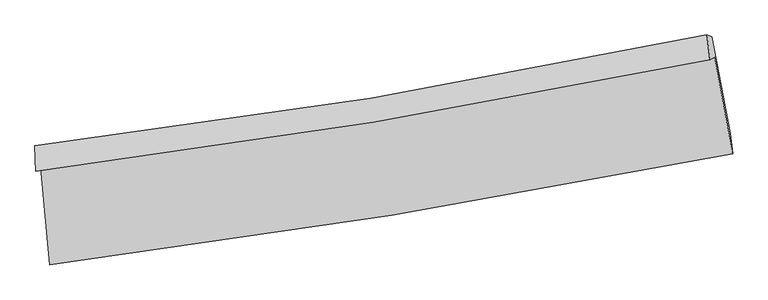
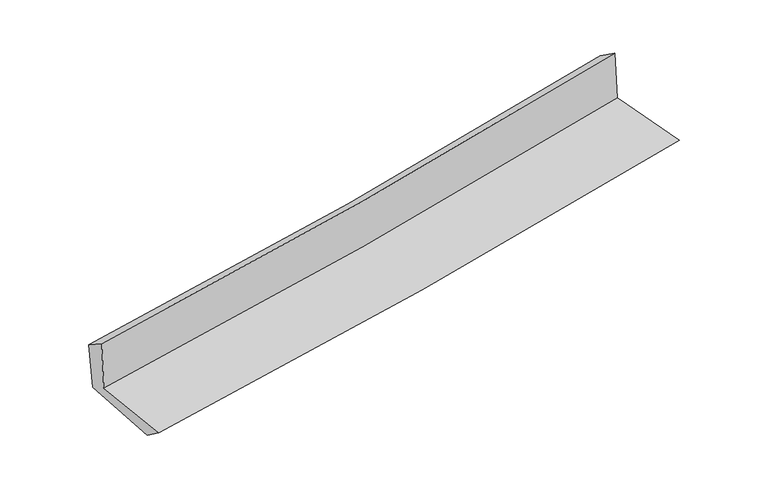
"""IFC4 building model written with IfcOpenShell, lengths in millimetres: proxy geometry."""

from ifc_helpers import new_model, si_unit, frame, origin, place, context, project, spatial, source, transform, mapped, element, save
from ifc_brep_helpers import plane_surface, spline_curve, spline_surface, advanced_brep


def generic_models_c8cb5b35(model_context):
    return source(origin(), model_context, "Body", "AdvancedBrep", [
        advanced_brep(
        [(-2348.9594275, -1860.0817355, 1665.5992539), (-2285.6835273, -2533.6493934, 1664.3684126), (2428.6588558, -1767.5065764, 2089.1346731), (2305.4562463, -1102.8273012, 2095.8203198), (-2381.2842647, -1887.5171379, 2079.4121435), (2272.4174046, -1118.4280898, 2504.938323), (-2388.0924197, -1714.203822, 1967.3981472), (2251.4650379, -948.6528709, 2386.8546667), (-2355.6937774, -1718.4342488, 1587.9260329), (2286.3896669, -962.1177249, 2017.3314051), (-2290.4155761, -2379.6259378, 1549.1888325), (2412.1925305, -1627.7144392, 1982.9547862)],
        [
            (0, 1),
            (1, 2, spline_curve(3, [(-2285.6835273, -2533.6493934, 1664.3684126), (-1496.438539453, -2434.579586156, 1732.626729274), (-710.06135808, -2321.420818538, 1802.049268171), (861.418855753, -2066.200787037, 1943.624725011), (1646.489135374, -1923.97861589, 2015.790940015), (2428.6588558, -1767.5065764, 2089.1346731)], [4, 2, 4], [0.0, 7.796071888269632, 15.636536218738947])),
            (2, 3),
            (3, 0, spline_curve(3, [(2305.4562463, -1102.8273012, 2095.8203198), (1532.092129671, -1257.445466558, 2021.66218697), (756.434440326, -1397.99842226, 1948.632776584), (-795.063349758, -1650.257744429, 1805.238500263), (-1570.877551572, -1762.122933468, 1734.860888384), (-2348.9594275, -1860.0817355, 1665.5992539)], [4, 2, 4], [0.0, 7.840464330469315, 15.636536218738947])),
            (4, 0),
            (3, 5),
            (5, 4, spline_curve(3, [(2272.4174046, -1118.4280898, 2504.938323), (1499.772047622, -1278.926707538, 2433.160660747), (724.532556684, -1423.403367162, 2361.711571717), (-826.730625572, -1679.585465486, 2219.873222023), (-1602.725024531, -1791.471821612, 2149.480251336), (-2381.2842647, -1887.5171379, 2079.4121435)], [4, 2, 4], [0.0, 7.792083913396258, 15.540049312867739])),
            (6, 4),
            (5, 7),
            (7, 6, spline_curve(3, [(2251.4650379, -948.6528709, 2386.8546667), (1481.150542711, -1111.311881092, 2317.373399031), (708.258560549, -1256.56915262, 2247.577928401), (-838.289696805, -1511.556304504, 2107.755540782), (-1611.916867043, -1621.482683421, 2037.732171399), (-2388.0924197, -1714.203822, 1967.3981472)], [4, 2, 4], [0.0, 7.7807680492261975, 15.51748165456543])),
            (8, 6),
            (7, 9),
            (9, 8, spline_curve(3, [(2286.3896669, -962.1177249, 2017.3314051), (1516.347510181, -1126.705339456, 1942.66935191), (743.379614508, -1272.150264283, 1869.457057811), (-804.014570557, -1524.03961556, 1726.338304022), (-1578.40782326, -1630.700198501, 1656.415474308), (-2355.6937774, -1718.4342488, 1587.9260329)], [4, 2, 4], [0.0, 7.770402809506468, 15.496809862760497])),
            (10, 8),
            (9, 11),
            (11, 10, spline_curve(3, [(2412.1925305, -1627.7144392, 1982.9547862), (1631.681485002, -1782.710461477, 1908.13497457), (848.421605108, -1923.004032747, 1834.478577368), (-719.145470115, -2173.475180804, 1689.903063038), (-1503.421625423, -2283.818775555, 1618.970809373), (-2290.4155761, -2379.6259378, 1549.1888325)], [4, 2, 4], [0.0, 7.820303443333269, 15.59632859472367])),
            (1, 10),
            (11, 2),
        ],
        [
            spline_surface(3, 3, [[(-2348.9594275, -1860.0817355, 1665.5992539), (-1570.877551693, -1762.122933596, 1734.860888482), (-795.063349722, -1650.257744429, 1805.238500146), (756.434440289, -1397.998422259, 1948.632776702), (1532.092129561, -1257.445466623, 2021.662187043), (2305.4562463, -1102.8273012, 2095.8203198)], [(-2327.867460771, -2084.604288148, 1665.188973467), (-1546.064547591, -1986.275151124, 1734.116168749), (-766.729352495, -1873.978769098, 1804.175422779), (791.429245441, -1620.732543893, 1946.96342618), (1570.224464839, -1479.623183034, 2019.705104665), (2346.523782785, -1324.387059603, 2093.591770898)], [(-2306.775494029, -2309.126840752, 1664.778693033), (-1521.251543477, -2210.427368608, 1733.371449016), (-738.395355283, -2097.699793757, 1803.112345413), (826.424050578, -1843.466665516, 1945.294075658), (1608.356800161, -1701.800899436, 2017.748022292), (2387.591319315, -1545.946817997, 2091.363222002)], [(-2285.6835273, -2533.6493934, 1664.3684126), (-1496.438539375, -2434.579586136, 1732.626729283), (-710.061358056, -2321.420818426, 1802.049268047), (861.418855729, -2066.20078715, 1943.624725136), (1646.48913544, -1923.978615847, 2015.790939914), (2428.6588558, -1767.5065764, 2089.1346731)]], [4, 4], [4, 2, 4], [0.0, 2.21915537387706], [0.0, 7.796071888269632, 15.636536218738947]),
            spline_surface(3, 3, [[(-2381.2842647, -1887.5171379, 2079.4121435), (-1602.725024465, -1791.471821558, 2149.480251258), (-826.730625651, -1679.58546538, 2219.873222065), (724.532556763, -1423.403367268, 2361.711571675), (1499.772047691, -1278.926707429, 2433.160660732), (2272.4174046, -1118.4280898, 2504.938323)], [(-2370.509318955, -1878.372003752, 1941.474513627), (-1592.109200196, -1781.688858889, 2011.273796993), (-816.174866991, -1669.809558376, 2081.661648074), (735.166517955, -1414.935052245, 2224.018639999), (1510.545408326, -1271.766293838, 2295.994502826), (2283.430351845, -1113.227826945, 2368.565655257)], [(-2359.734373245, -1869.226869648, 1803.536883773), (-1581.493375962, -1771.905896265, 1873.067342747), (-805.619108381, -1660.033651433, 1943.450074137), (745.800479097, -1406.466737283, 2086.325708378), (1521.318768926, -1264.605880214, 2158.828344949), (2294.443299055, -1108.027564055, 2232.192987543)], [(-2348.9594275, -1860.0817355, 1665.5992539), (-1570.877551693, -1762.122933596, 1734.860888482), (-795.063349722, -1650.257744429, 1805.238500146), (756.434440289, -1397.998422259, 1948.632776702), (1532.092129561, -1257.445466623, 2021.662187043), (2305.4562463, -1102.8273012, 2095.8203198)]], [4, 4], [4, 2, 4], [0.0, 1.3647361371733806], [0.0, 7.7479653994714806, 15.540049312867739]),
            spline_surface(3, 3, [[(-2388.0924197, -1714.203822, 1967.3981472), (-1611.916866914, -1621.482683499, 2037.732171341), (-838.289696727, -1511.556304619, 2107.755540711), (708.258560471, -1256.569152505, 2247.577928473), (1481.15054281, -1111.311880996, 2317.373398954), (2251.4650379, -948.6528709, 2386.8546667)], [(-2385.823034709, -1771.9749273, 2004.73614597), (-1608.85291944, -1678.145729519, 2074.981531316), (-834.436673057, -1567.566024872, 2145.128101163), (713.683225879, -1312.180557425, 2285.622476208), (1487.357711103, -1167.183489788, 2355.969152876), (2258.449160133, -1005.244610515, 2426.215885463)], [(-2383.553649691, -1829.7460326, 2042.07414473), (-1605.788971939, -1734.808775539, 2112.230891283), (-830.58364932, -1623.575745128, 2182.500661612), (719.107891355, -1367.791962348, 2323.66702394), (1493.564879398, -1223.055098637, 2394.56490681), (2265.433282367, -1061.836350185, 2465.577104237)], [(-2381.2842647, -1887.5171379, 2079.4121435), (-1602.725024465, -1791.471821558, 2149.480251258), (-826.730625651, -1679.58546538, 2219.873222065), (724.532556763, -1423.403367268, 2361.711571675), (1499.772047691, -1278.926707429, 2433.160660732), (2272.4174046, -1118.4280898, 2504.938323)]], [4, 4], [4, 2, 4], [0.0, 0.6645219660965539], [0.0, 7.736713605339232, 15.51748165456543]),
            spline_surface(3, 3, [[(-2355.6937774, -1718.4342488, 1587.9260329), (-1578.407823203, -1630.700198573, 1656.415474308), (-804.014570619, -1524.039615492, 1726.338304128), (743.37961457, -1272.150264352, 1869.457057705), (1516.347510055, -1126.705339497, 1942.669351941), (2286.3896669, -962.1177249, 2017.3314051)], [(-2366.493324834, -1717.024106521, 1714.41673768), (-1589.57750444, -1627.627693536, 1783.521039998), (-815.439612624, -1519.878511888, 1853.477382994), (731.672596568, -1266.956560423, 1995.497347966), (1504.615187628, -1121.574186677, 2067.570700944), (2274.748123888, -957.629440247, 2140.505825633)], [(-2377.292872266, -1715.613964279, 1840.90744242), (-1600.747185676, -1624.555188536, 1910.62660565), (-826.864654722, -1515.717408223, 1980.616461845), (719.965578473, -1261.762856434, 2121.537638212), (1492.882865237, -1116.443033816, 2192.47204995), (2263.106580912, -953.141155553, 2263.680246167)], [(-2388.0924197, -1714.203822, 1967.3981472), (-1611.916866914, -1621.482683499, 2037.732171341), (-838.289696727, -1511.556304619, 2107.755540711), (708.258560471, -1256.569152505, 2247.577928473), (1481.15054281, -1111.311880996, 2317.373398954), (2251.4650379, -948.6528709, 2386.8546667)]], [4, 4], [4, 2, 4], [0.0, 1.2519689601647122], [0.0, 7.726407053254029, 15.496809862760497]),
            spline_surface(3, 3, [[(-2290.4155761, -2379.6259378, 1549.1888325), (-1503.421625421, -2283.818775661, 1618.970809379), (-719.145470027, -2173.475180756, 1689.903063134), (848.421605019, -1923.004032795, 1834.478577271), (1631.681485125, -1782.710461472, 1908.134974693), (2412.1925305, -1627.7144392, 1982.9547862)], [(-2312.174976526, -2159.228708153, 1562.101232645), (-1528.417024674, -2066.112583318, 1631.452364367), (-747.435170245, -1956.996658992, 1702.048143478), (813.407608182, -1706.052776639, 1846.138070761), (1593.236826774, -1564.04208747, 1919.646433765), (2370.258242639, -1405.848867757, 1994.413659155)], [(-2333.934376974, -1938.831478447, 1575.013632755), (-1553.412423949, -1848.406390916, 1643.93391932), (-775.7248704, -1740.518137255, 1714.193223784), (778.393611407, -1489.101520509, 1857.797564214), (1554.792168406, -1345.373713498, 1931.157892869), (2328.323954761, -1183.983296343, 2005.872532145)], [(-2355.6937774, -1718.4342488, 1587.9260329), (-1578.407823203, -1630.700198573, 1656.415474308), (-804.014570619, -1524.039615492, 1726.338304128), (743.37961457, -1272.150264352, 1869.457057705), (1516.347510055, -1126.705339497, 1942.669351941), (2286.3896669, -962.1177249, 2017.3314051)]], [4, 4], [4, 2, 4], [0.0, 2.158871387902029], [0.0, 7.7760251513904, 15.59632859472367]),
            spline_surface(3, 3, [[(-2285.6835273, -2533.6493934, 1664.3684126), (-1496.438539375, -2434.579586136, 1732.626729283), (-710.061358056, -2321.420818426, 1802.049268047), (861.418855729, -2066.20078715, 1943.624725136), (1646.48913544, -1923.978615847, 2015.790939914), (2428.6588558, -1767.5065764, 2089.1346731)], [(-2287.260876905, -2482.308241526, 1625.975219213), (-1498.766234728, -2384.325982637, 1694.741422628), (-713.089395389, -2272.105605876, 1764.667199742), (857.086438817, -2018.468535705, 1907.242675848), (1641.553252011, -1876.889231056, 1979.905618202), (2423.17008071, -1720.909197334, 2053.741377494)], [(-2288.838226495, -2430.967089674, 1587.582025887), (-1501.093930068, -2334.07237916, 1656.856116035), (-716.117432694, -2222.790393306, 1727.285131438), (852.754021931, -1970.73628424, 1870.860626559), (1636.617368553, -1829.799846263, 1944.020296406), (2417.68130559, -1674.311818266, 2018.348081806)], [(-2290.4155761, -2379.6259378, 1549.1888325), (-1503.421625421, -2283.818775661, 1618.970809379), (-719.145470027, -2173.475180756, 1689.903063134), (848.421605019, -1923.004032795, 1834.478577271), (1631.681485125, -1782.710461472, 1908.134974693), (2412.1925305, -1627.7144392, 1982.9547862)]], [4, 4], [4, 2, 4], [0.0, 0.6009392280207543], [0.0, 7.83445361877868, 15.713518233251364]),
            plane_surface(frame((2326.0966237, -1254.5411671, 2179.5056956), z_axis=(0.9797625086775682, 0.1807401591539727, 0.08601407709691927), x_axis=(-0.0940314976627058, 0.0362529372102854, 0.994908941557435))),
            plane_surface(frame((-2341.6881655, -2015.5853792, 1752.3154704), z_axis=(-0.9921396327008848, -0.09305010929695358, -0.08366974592992663), x_axis=(-0.09352946966940397, 0.9956148493924504, 0.0018193330119705678))),
        ],
        [
            (0, [[1, 2, 3, 4]]),
            (1, [[5, -4, 6, 7]]),
            (2, [[8, -7, 9, 10]]),
            (3, [[11, -10, 12, 13]]),
            (4, [[14, -13, 15, 16]]),
            (5, [[17, -16, 18, -2]]),
            (6, [[-12, -9, -6, -3, -18, -15]]),
            (7, [[-1, -5, -8, -11, -14, -17]]),
        ],
    ),
    ])


if __name__ == "__main__":
    model = new_model("IFC4")
    model_context = context("Model", 3, world=origin())
    ifc_project = project(units=[si_unit("LENGTHUNIT", "METRE", prefix="MILLI")], contexts=[model_context])
    site = spatial("IfcSite", under=ifc_project)
    building = spatial("IfcBuilding", under=site)
    placement = place(None, origin())
    generic_models_shape = generic_models_c8cb5b35(model_context)
    element("IfcBuildingElementProxy", 1, Name="Generic Models", at=placement, inside=building, context=model_context, shape_type="MappedRepresentation", body=[
        mapped(generic_models_shape, transform((0.0, 0.0, 0.0), x_axis=(1.0, 0.0, 0.0), y_axis=(0.0, 1.0, 0.0), z_axis=(0.0, 0.0, 1.0))),
    ])
    save(model, "model.ifc")
